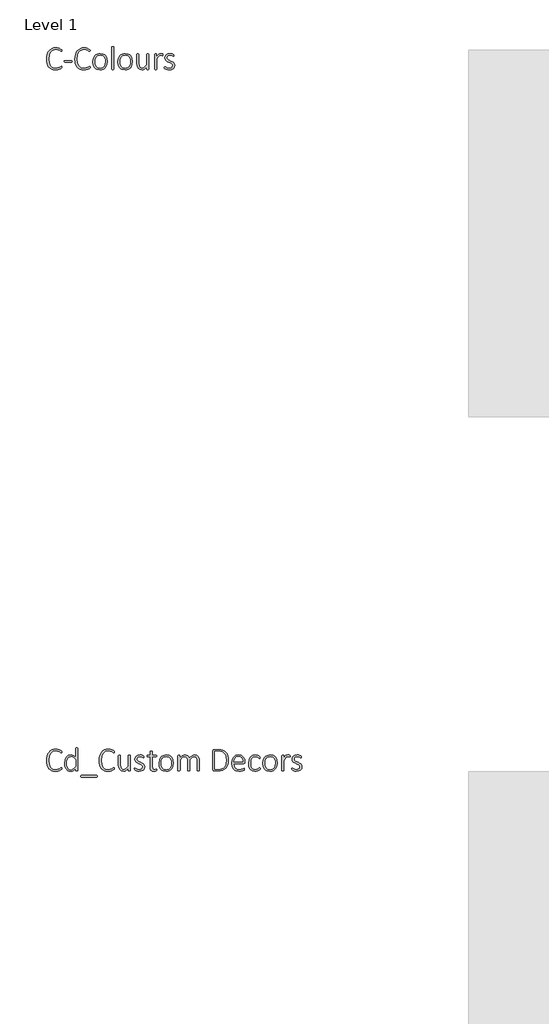
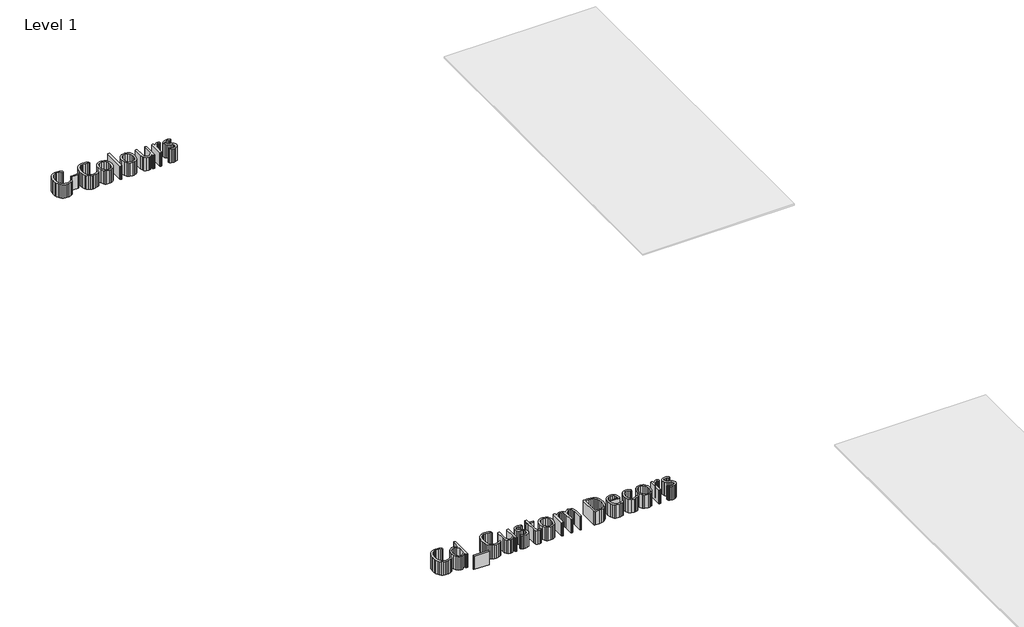
# One storey, part 2 of 3: 2 proxies.
"""IFC4 building model written with IfcOpenShell, lengths in millimetres."""

import ifcopenshell
import ifcopenshell.guid

model = None  # the IFC model being written
_history = None  # IfcOwnerHistory: only IFC2X3 demands one
_inside = {}  # id of a spatial element -> (the spatial element, [elements in it])
_under = {}  # id of a project, library or spatial element -> (it, [spatial elements below it])
_declared = {}  # id of a project -> (the project, [libraries it declares])
_typed = {}  # id of a type object -> (the type object, [elements of that type])
_made_of = {}  # id of a material, layer set ... -> (it, [elements and type objects made of it])


def new_model(schema):
    """Start an empty IFC model of exactly this schema.

    Asked for "IFC4X3", IfcOpenShell would pick the latest addendum, in which some entities
    have other attributes; the version numbers below select the first issue.
    IFC2X3 requires an IfcOwnerHistory on every rooted entity: one is made here for all.
    """
    global model, _history
    if schema == "IFC4X3":
        model = ifcopenshell.file(schema_version=(4, 3, 0, 0))
    else:
        model = ifcopenshell.file(schema=schema)
    _inside.clear()
    _under.clear()
    _declared.clear()
    _typed.clear()
    _made_of.clear()
    _history = None
    if model.schema == "IFC2X3":
        org = make("IfcOrganization", Name="unknown")
        user = make(
            "IfcPersonAndOrganization",
            ThePerson=make("IfcPerson", FamilyName="unknown"),
            TheOrganization=org,
        )
        app = make(
            "IfcApplication",
            ApplicationDeveloper=org,
            Version="unknown",
            ApplicationFullName="unknown",
            ApplicationIdentifier="unknown",
        )
        _history = make(
            "IfcOwnerHistory",
            OwningUser=user,
            OwningApplication=app,
            ChangeAction="ADDED",
            CreationDate=0,
        )
    return model


def make(cls, **values):
    """One entity of the class cls with the attributes given. An attribute that is None is left unset."""
    return model.create_entity(
        cls, **{name: value for name, value in values.items() if value is not None}
    )


def rooted(cls, **values):
    """An entity with a GlobalId (a new one), such as an element, a storey or a relation."""
    return make(cls, GlobalId=ifcopenshell.guid.new(), OwnerHistory=_history, **values)


def si_unit(unit_type, name, prefix=None):
    """IfcSIUnit, for example si_unit("LENGTHUNIT", "METRE", prefix="MILLI")."""
    return make("IfcSIUnit", UnitType=unit_type, Prefix=prefix, Name=name)


def assignment(units):
    """IfcUnitAssignment: the units of a project."""
    return None if units is None else make("IfcUnitAssignment", Units=units)


def point(xyz):
    """IfcCartesianPoint."""
    return None if xyz is None else make("IfcCartesianPoint", Coordinates=xyz)


def direction(xyz):
    """IfcDirection."""
    return None if xyz is None else make("IfcDirection", DirectionRatios=xyz)


def frame(location, z_axis=None, x_axis=None):
    """IfcAxis2Placement3D, a coordinate frame: its origin and axes. An axis left out is left unset."""
    return make(
        "IfcAxis2Placement3D",
        Location=point(location),
        Axis=direction(z_axis),
        RefDirection=direction(x_axis),
    )


def origin():
    """The frame at (0, 0, 0) with its axes left unset."""
    return frame((0.0, 0.0, 0.0))


def origin_with_axes():
    """The frame at (0, 0, 0) with the z axis (0, 0, 1) and the x axis (1, 0, 0) written out."""
    return frame((0.0, 0.0, 0.0), z_axis=(0.0, 0.0, 1.0), x_axis=(1.0, 0.0, 0.0))


def place(relative_to, where):
    """IfcLocalPlacement: puts the frame where relative to a parent placement (None: the world)."""
    return make(
        "IfcLocalPlacement", PlacementRelTo=relative_to, RelativePlacement=where
    )


def context(
    kind, dimensions, precision=None, world=None, true_north=None, identifier=None
):
    """IfcGeometricRepresentationContext, for example the 3D "Model" context."""
    return make(
        "IfcGeometricRepresentationContext",
        ContextIdentifier=identifier,
        ContextType=kind,
        CoordinateSpaceDimension=dimensions,
        Precision=precision,
        WorldCoordinateSystem=world,
        TrueNorth=true_north,
    )


def project(units=None, contexts=None):
    """IfcProject with its units and contexts."""
    return rooted(
        "IfcProject",
        Name="project",
        RepresentationContexts=contexts,
        UnitsInContext=assignment(units),
    )


def spatial(cls, under=None, at=None, **own):
    """A site, building, storey or space (cls), placed at a placement, below another one or the project."""
    s = rooted(cls, ObjectPlacement=at, **own)
    if under is not None:
        _under.setdefault(under.id(), (under, []))[1].append(s)
    return s


def polyline(points):
    """IfcPolyline through the points."""
    return make("IfcPolyline", Points=[point(p) for p in points])


def outline(outer, holes=None, kind="AREA"):
    """IfcArbitraryClosedProfileDef: a profile drawn as a closed curve; with holes, ...WithVoids."""
    if holes is None:
        return make("IfcArbitraryClosedProfileDef", ProfileType=kind, OuterCurve=outer)
    return make(
        "IfcArbitraryProfileDefWithVoids",
        ProfileType=kind,
        OuterCurve=outer,
        InnerCurves=holes,
    )


def extrude(swept, where, along, depth):
    """IfcExtrudedAreaSolid: the profile swept, set in the frame where, extruded along a direction by depth."""
    return make(
        "IfcExtrudedAreaSolid",
        SweptArea=swept,
        Position=where,
        ExtrudedDirection=direction(along),
        Depth=depth,
    )


def shape(context_of_items, identifier, shape_type, items):
    """IfcShapeRepresentation: the items that make up one representation, for example the "Body"."""
    return make(
        "IfcShapeRepresentation",
        ContextOfItems=context_of_items,
        RepresentationIdentifier=identifier,
        RepresentationType=shape_type,
        Items=items,
    )


def made_of(thing, what):
    """Note that an element or type object is made of a material, layer set ...; save() writes the relation."""
    if what is not None:
        _made_of.setdefault(what.id(), (what, []))[1].append(thing)
    return thing


def element(
    cls,
    number,
    at=None,
    inside=None,
    cuts=None,
    type_object=None,
    material=None,
    context=None,
    identifier="Body",
    shape_type=None,
    held_by="IfcProductDefinitionShape",
    body=None,
    shapes=None,
    **own,
):
    """One element of the class cls, such as IfcWall. Its Tag is "e" and its number.

    at: its placement. inside: the storey or other place that contains it. cuts: it is an
    opening in that element (IfcRelVoidsElement). A single representation is given by context,
    identifier, shape_type and body (its items); several are given by shapes. held_by: the class
    of the entity that holds the representations. save() writes the other relations.
    """
    e = rooted(cls, Tag="e%d" % number, ObjectPlacement=at, **own)
    if body is not None:
        shapes = [shape(context, identifier, shape_type, body)]
    if shapes is not None:
        e.Representation = make(held_by, Representations=shapes)
    if inside is not None:
        _inside.setdefault(inside.id(), (inside, []))[1].append(e)
    if cuts is not None:
        rooted(
            "IfcRelVoidsElement", RelatingBuildingElement=cuts, RelatedOpeningElement=e
        )
    if type_object is not None:
        _typed.setdefault(type_object.id(), (type_object, []))[1].append(e)
    return made_of(e, material)


def aggregate(whole, parts):
    """IfcRelAggregates: a whole, such as a stair, and the parts it consists of."""
    return rooted("IfcRelAggregates", RelatingObject=whole, RelatedObjects=parts)


def save(model, path):
    """Write the relations noted so far, then the file.

    IfcRelAggregates (storeys below a building ...), IfcRelContainedInSpatialStructure (elements
    in a storey), IfcRelDefinesByType, IfcRelAssociatesMaterial and IfcRelDeclares: one each for
    every whole, place, type object, material and project.
    """
    for whole, parts in _under.values():
        aggregate(whole, parts)
    for where, things in _inside.values():
        rooted(
            "IfcRelContainedInSpatialStructure",
            RelatedElements=things,
            RelatingStructure=where,
        )
    for kind, things in _typed.values():
        rooted("IfcRelDefinesByType", RelatedObjects=things, RelatingType=kind)
    for what, things in _made_of.values():
        rooted("IfcRelAssociatesMaterial", RelatedObjects=things, RelatingMaterial=what)
    for by, libraries in _declared.values():
        rooted("IfcRelDeclares", RelatingContext=by, RelatedDefinitions=libraries)
    model.write(path)


model = new_model("IFC4")

# Units and contexts
model_context = context("Model", 3, world=origin())
ifc_project = project(units=[si_unit("LENGTHUNIT", "METRE", prefix="MILLI")], contexts=[model_context])

# Site, building, storey
site = spatial("IfcSite", under=ifc_project)
building = spatial("IfcBuilding", under=site)
storey = spatial("IfcBuildingStorey", under=building, Name="Level 1", Elevation=0.0)

# Proxies
placement = place(None, origin())
element("IfcBuildingElementProxy", 1, Name="Generic Models", at=placement, inside=storey, context=model_context, shape_type="SweptSolid", body=[
    extrude(outline(polyline([(-6935.2690335, 1375.5982531), (-6935.4291258, 1372.620538), (-6935.9094024, 1370.2831917), (-6936.8059188, 1368.3620851), (-6938.9511544, 1366.0247388), (-6945.7390643, 1361.2860093), (-6958.8666258, 1354.7862654), (-6977.0531012, 1349.2790933), (-6999.754177, 1346.9737654), (-7018.7331089, 1348.7587936), (-7035.8389618, 1354.1138781), (-7050.7995791, 1362.9029406), (-7063.342804, 1374.9899027), (-7073.3725812, 1390.3187321), (-7080.7928553, 1408.8333966), (-7085.3794972, 1430.3657992), (-7086.9083778, 1454.7478433), (-7085.2674326, 1479.8903254), (-7080.3445971, 1502.2952306), (-7072.4440464, 1521.7464345), (-7061.8699557, 1538.0278126), (-7048.766408, 1550.9952818), (-7033.2774864, 1560.5047593), (-7015.707366, 1566.3401204), (-6996.3602221, 1568.2852408), (-6977.9175991, 1566.5242265), (-6961.3960827, 1562.0096261), (-6947.8522815, 1555.7019929), (-6939.6235417, 1549.9706917), (-6936.8059188, 1546.960958), (-6935.9094024, 1545.0398515), (-6935.4291258, 1542.6064499), (-6935.2690335, 1539.5967162), (-6935.5251811, 1536.1387244), (-6936.3576606, 1533.6092675), (-6937.7664721, 1531.9763269), (-6939.7516155, 1531.3999949), (-6946.2833778, 1534.5698208), (-6957.3937774, 1541.6458966), (-6974.2354782, 1548.7219724), (-6997.9611442, 1551.8917982), (-7012.4014618, 1550.3228945), (-7025.6250786, 1545.6161835), (-7037.3438286, 1537.8517111), (-7047.2695458, 1527.1095236), (-7061.3576606, 1497.0121876), (-7066.4165745, 1455.9005072), (-7061.8059188, 1416.5178228), (-7048.4862467, 1387.5091138), (-7038.7446355, 1377.1271338), (-7026.9378348, 1369.5467675), (-7013.2259367, 1364.9120979), (-6997.7690335, 1363.367208), (-6974.4916258, 1366.5370339), (-6957.4578143, 1373.6131097), (-6945.8671381, 1380.6891855), (-6938.919136, 1383.8590113), (-6937.254177, 1383.47479), (-6936.1975684, 1382.1300154), (-6935.5251811, 1379.56854), (-6935.2690335, 1375.5982531)])), origin_with_axes(), (0.0, 0.0, 1.0), 150.0),
    extrude(outline(polyline([(-6832.8100172, 1433.0393392), (-6834.1227733, 1426.5716138), (-6837.5487467, 1424.8426179), (-6905.8120663, 1424.8426179), (-6909.3020766, 1426.6356507), (-6910.6788696, 1433.0393392), (-6909.3020766, 1439.4430277), (-6905.8120663, 1441.2360605), (-6837.5487467, 1441.2360605), (-6835.691677, 1440.8198208), (-6834.1227733, 1439.4110093), (-6833.1302016, 1436.8815523), (-6832.8100172, 1433.0393392)])), origin_with_axes(), (0.0, 0.0, 1.0), 150.0),
    extrude(outline(polyline([(-6652.4821483, 1375.5982531), (-6652.6422405, 1372.620538), (-6653.1225172, 1370.2831917), (-6654.0190335, 1368.3620851), (-6656.1642692, 1366.0247388), (-6662.952179, 1361.2860093), (-6676.0797405, 1354.7862654), (-6694.2662159, 1349.2790933), (-6716.9672917, 1346.9737654), (-6735.9462236, 1348.7587936), (-6753.0520766, 1354.1138781), (-6768.0126939, 1362.9029406), (-6780.5559188, 1374.9899027), (-6790.5856959, 1390.3187321), (-6798.00597, 1408.8333966), (-6802.5926119, 1430.3657992), (-6804.1214926, 1454.7478433), (-6802.4805474, 1479.8903254), (-6797.5577118, 1502.2952306), (-6789.6571611, 1521.7464345), (-6779.0830704, 1538.0278126), (-6765.9795228, 1550.9952818), (-6750.4906012, 1560.5047593), (-6732.9204808, 1566.3401204), (-6713.5733368, 1568.2852408), (-6695.1307139, 1566.5242265), (-6678.6091975, 1562.0096261), (-6665.0653963, 1555.7019929), (-6656.8366565, 1549.9706917), (-6654.0190335, 1546.960958), (-6653.1225172, 1545.0398515), (-6652.6422405, 1542.6064499), (-6652.4821483, 1539.5967162), (-6652.7382958, 1536.1387244), (-6653.5707754, 1533.6092675), (-6654.9795868, 1531.9763269), (-6656.9647303, 1531.3999949), (-6663.4964926, 1534.5698208), (-6674.6068922, 1541.6458966), (-6691.448593, 1548.7219724), (-6715.174259, 1551.8917982), (-6729.6145766, 1550.3228945), (-6742.8381934, 1545.6161835), (-6754.5569434, 1537.8517111), (-6764.4826606, 1527.1095236), (-6778.5707754, 1497.0121876), (-6783.6296893, 1455.9005072), (-6779.0190335, 1416.5178228), (-6765.6993614, 1387.5091138), (-6755.9577502, 1377.1271338), (-6744.1509495, 1369.5467675), (-6730.4390515, 1364.9120979), (-6714.9821483, 1363.367208), (-6691.7047405, 1366.5370339), (-6674.670929, 1373.6131097), (-6663.0802528, 1380.6891855), (-6656.1322508, 1383.8590113), (-6654.4672917, 1383.47479), (-6653.4106831, 1382.1300154), (-6652.7382958, 1379.56854), (-6652.4821483, 1375.5982531)])), origin_with_axes(), (0.0, 0.0, 1.0), 150.0),
    extrude(outline(polyline([(-6480.3510008, 1430.5419007), (-6484.9936749, 1397.2107019), (-6498.7936237, 1370.7634683), (-6509.087553, 1360.7657096), (-6521.6547917, 1353.2493802), (-6536.4793307, 1348.5426691), (-6553.5451606, 1346.9737654), (-6584.2188286, 1352.5769929), (-6596.2737723, 1359.3969212), (-6606.1834803, 1368.6502511), (-6619.4070971, 1394.0408761), (-6623.7936237, 1427.6602408), (-6619.2470049, 1461.023458), (-6605.5431114, 1487.3746363), (-6595.2411775, 1497.2603305), (-6582.6499249, 1504.6966138), (-6567.7693537, 1509.3552972), (-6550.5994639, 1510.9081917), (-6519.9257958, 1505.3690011), (-6507.8868614, 1498.6051051), (-6498.0251811, 1489.3917982), (-6484.8015643, 1464.0331917), (-6480.3510008, 1430.5419007)]), holes=[polyline([(-6500.842804, 1428.4927203), (-6503.3402426, 1453.5631609), (-6511.6650376, 1474.6312962), (-6527.2900376, 1489.1356507), (-6551.7521278, 1494.514749), (-6575.0295356, 1489.5839089), (-6591.0707754, 1475.847997), (-6600.2920868, 1455.1000462), (-6603.3018204, 1429.3892367), (-6600.8043819, 1404.0306302), (-6592.4795868, 1382.9624949), (-6576.8545868, 1368.6502511), (-6552.3924967, 1363.367208), (-6529.1150889, 1368.2980482), (-6513.0738491, 1381.9379048), (-6503.8525376, 1402.5898003), (-6500.842804, 1428.4927203)])]), origin_with_axes(), (0.0, 0.0, 1.0), 150.0),
    extrude(outline(polyline([(-6414.7772303, 1355.3625974), (-6415.2895254, 1353.5375462), (-6416.9224659, 1352.22479), (-6420.0282549, 1351.3923105), (-6425.0871688, 1351.0721261), (-6430.018009, 1351.3923105), (-6433.2198532, 1352.22479), (-6434.8527938, 1353.5375462), (-6435.2690335, 1355.3625974), (-6435.2690335, 1576.2898515), (-6434.8527938, 1578.1149027), (-6433.2198532, 1579.4916958), (-6430.018009, 1580.3241753), (-6425.0871688, 1580.5803228), (-6420.0282549, 1580.3241753), (-6416.9224659, 1579.4916958), (-6415.2895254, 1578.1149027), (-6414.7772303, 1576.2898515), (-6414.7772303, 1355.3625974)])), origin_with_axes(), (0.0, 0.0, 1.0), 150.0),
    extrude(outline(polyline([(-6230.3510008, 1430.5419007), (-6234.9936749, 1397.2107019), (-6248.7936237, 1370.7634683), (-6259.087553, 1360.7657096), (-6271.6547917, 1353.2493802), (-6286.4793307, 1348.5426691), (-6303.5451606, 1346.9737654), (-6334.2188286, 1352.5769929), (-6346.2737723, 1359.3969212), (-6356.1834803, 1368.6502511), (-6369.4070971, 1394.0408761), (-6373.7936237, 1427.6602408), (-6369.2470049, 1461.023458), (-6355.5431114, 1487.3746363), (-6345.2411775, 1497.2603305), (-6332.6499249, 1504.6966138), (-6317.7693537, 1509.3552972), (-6300.5994639, 1510.9081917), (-6269.9257958, 1505.3690011), (-6257.8868614, 1498.6051051), (-6248.0251811, 1489.3917982), (-6234.8015643, 1464.0331917), (-6230.3510008, 1430.5419007)]), holes=[polyline([(-6250.842804, 1428.4927203), (-6253.3402426, 1453.5631609), (-6261.6650376, 1474.6312962), (-6277.2900376, 1489.1356507), (-6301.7521278, 1494.514749), (-6325.0295356, 1489.5839089), (-6341.0707754, 1475.847997), (-6350.2920868, 1455.1000462), (-6353.3018204, 1429.3892367), (-6350.8043819, 1404.0306302), (-6342.4795868, 1382.9624949), (-6326.8545868, 1368.6502511), (-6302.3924967, 1363.367208), (-6279.1150889, 1368.2980482), (-6263.0738491, 1381.9379048), (-6253.8525376, 1402.5898003), (-6250.842804, 1428.4927203)])]), origin_with_axes(), (0.0, 0.0, 1.0), 150.0),
    extrude(outline(polyline([(-6066.4165745, 1355.2985605), (-6066.8328143, 1353.5055277), (-6068.4657549, 1352.1927716), (-6071.5715438, 1351.3923105), (-6076.214218, 1351.0721261), (-6081.2411135, 1351.3923105), (-6084.1868102, 1352.1927716), (-6085.6596585, 1353.5055277), (-6086.0758983, 1355.2985605), (-6086.0758983, 1376.1105482), (-6110.4739516, 1353.8577306), (-6122.368803, 1348.6947567), (-6134.231636, 1346.9737654), (-6158.2134495, 1351.936624), (-6173.9985417, 1365.3843699), (-6182.6435213, 1385.1077306), (-6185.2690335, 1412.2273515), (-6185.2690335, 1502.5193597), (-6184.8527938, 1504.3123925), (-6183.2198532, 1505.7212039), (-6180.018009, 1506.5536835), (-6175.0871688, 1506.809831), (-6170.0282549, 1506.5536835), (-6166.9224659, 1505.7212039), (-6165.2895254, 1504.3123925), (-6164.7772303, 1502.5193597), (-6164.7772303, 1413.9563474), (-6162.7280499, 1391.28729), (-6156.6125274, 1376.3346773), (-6146.1745151, 1366.761163), (-6131.3499762, 1363.367208), (-6120.5437518, 1365.5044391), (-6109.7695458, 1371.9161322), (-6086.9083778, 1396.9865728), (-6086.9083778, 1502.5833966), (-6086.4921381, 1504.3764294), (-6084.8591975, 1505.7532224), (-6081.6573532, 1506.5536835), (-6076.5984393, 1506.809831), (-6071.6675991, 1506.5536835), (-6068.5618102, 1505.7532224), (-6066.9288696, 1504.3764294), (-6066.4165745, 1502.5833966), (-6066.4165745, 1355.2985605)])), origin_with_axes(), (0.0, 0.0, 1.0), 150.0),
    extrude(outline(polyline([(-5927.0723122, 1498.6771466), (-5927.2324044, 1494.802915), (-5927.8087364, 1492.1133658), (-5928.7692897, 1490.4804253), (-5930.2741565, 1489.9040933), (-5933.6681114, 1490.6405175), (-5938.1506934, 1492.2094212), (-5943.7539208, 1493.7783249), (-5950.5098122, 1494.514749), (-5959.026718, 1492.4335503), (-5967.7677528, 1485.7416958), (-5977.405304, 1473.5106507), (-5988.5477221, 1454.8759171), (-5988.5477221, 1355.2985605), (-5989.0600172, 1353.5055277), (-5990.6929577, 1352.1927716), (-5993.7987467, 1351.3923105), (-5998.8576606, 1351.0721261), (-6003.7885008, 1351.3923105), (-6006.990345, 1352.1927716), (-6008.6232856, 1353.5055277), (-6009.0395254, 1355.2985605), (-6009.0395254, 1502.5833966), (-6008.6232856, 1504.3764294), (-6006.990345, 1505.7532224), (-6003.948593, 1506.5536835), (-5999.2418819, 1506.809831), (-5994.4070971, 1506.5536835), (-5991.4614004, 1505.7532224), (-5989.988552, 1504.3764294), (-5989.5723122, 1502.5833966), (-5989.5723122, 1479.3380072), (-5978.0136544, 1495.4753023), (-5967.8958266, 1505.0488167), (-5958.4824044, 1509.6914908), (-5949.1010008, 1510.9081917), (-5944.2662159, 1510.6840626), (-5938.4068409, 1509.8836015), (-5932.771595, 1508.47479), (-5929.3136032, 1507.0019417), (-5928.0328655, 1505.8172593), (-5927.1683676, 1502.2632121), (-5927.0723122, 1498.6771466)])), origin_with_axes(), (0.0, 0.0, 1.0), 150.0),
    extrude(outline(polyline([(-5808.2198532, 1393.528581), (-5812.2221585, 1374.0293494), (-5823.6527426, 1359.3649027), (-5841.4229782, 1350.1435912), (-5864.3161647, 1346.9737654), (-5879.1407036, 1348.4466138), (-5891.8200069, 1352.1607531), (-5901.4255397, 1356.9315011), (-5907.1888594, 1361.414083), (-5909.8463901, 1365.608499), (-5910.6788696, 1371.6279662), (-5910.3586852, 1375.1179765), (-5909.5262057, 1377.6794519), (-5908.1814311, 1379.2483556), (-5906.3883983, 1379.7606507), (-5901.0733368, 1377.1671568), (-5892.3963389, 1371.5639294), (-5879.9731831, 1365.9607019), (-5863.2915745, 1363.367208), (-5849.3955704, 1365.0962039), (-5838.4772815, 1370.3152101), (-5831.2731319, 1379.2483556), (-5828.7116565, 1391.9916958), (-5832.073593, 1403.9025564), (-5840.9106831, 1412.3554253), (-5853.3658573, 1418.6950769), (-5867.6460827, 1424.3943597), (-5881.9263081, 1430.8620851), (-5894.3814823, 1439.4110093), (-5903.2185725, 1451.4499437), (-5906.580509, 1468.3876999), (-5903.5707754, 1483.8846261), (-5894.2534085, 1497.5244826), (-5878.1161135, 1507.2260708), (-5854.8387057, 1510.9081917), (-5843.5361954, 1509.8836015), (-5833.2902938, 1507.1940523), (-5825.3177016, 1503.5759683), (-5820.1947508, 1500.1179765), (-5817.825386, 1497.7486117), (-5816.9929065, 1495.9235605), (-5816.5766667, 1493.6502511), (-5816.4165745, 1490.4163884), (-5816.6727221, 1487.0224335), (-5817.4091463, 1484.4289396), (-5818.6258471, 1482.7639806), (-5820.3868614, 1482.2196671), (-5824.3571483, 1484.1407736), (-5831.2731319, 1488.367208), (-5841.5190335, 1492.5936425), (-5855.222927, 1494.514749), (-5868.8307651, 1492.6576794), (-5878.5003348, 1487.4066548), (-5884.1996176, 1479.4340626), (-5886.0887057, 1469.41229), (-5882.7587876, 1457.0211527), (-5873.9216975, 1448.3121363), (-5861.4024864, 1441.780374), (-5847.1542794, 1436.0810912), (-5832.9060725, 1429.8054765), (-5820.3868614, 1421.5126999), (-5811.5497713, 1409.8579867), (-5808.2198532, 1393.528581)])), origin_with_axes(), (0.0, 0.0, 1.0), 150.0),
])
element("IfcBuildingElementProxy", 2, Name="Generic Models", at=placement, inside=storey, context=model_context, shape_type="SweptSolid", body=[
    extrude(outline(polyline([(-6935.2690335, -5624.4017469), (-6935.4291258, -5627.379462), (-6935.9094024, -5629.7168083), (-6936.8059188, -5631.6379149), (-6938.9511544, -5633.9752612), (-6945.7390643, -5638.7139907), (-6958.8666258, -5645.2137346), (-6977.0531012, -5650.7209067), (-6999.754177, -5653.0262346), (-7018.7331089, -5651.2412064), (-7035.8389618, -5645.8861219), (-7050.7995791, -5637.0970594), (-7063.342804, -5625.0100973), (-7073.3725812, -5609.6812679), (-7080.7928553, -5591.1666034), (-7085.3794972, -5569.6342008), (-7086.9083778, -5545.2521567), (-7085.2674326, -5520.1096746), (-7080.3445971, -5497.7047694), (-7072.4440464, -5478.2535655), (-7061.8699557, -5461.9721874), (-7048.766408, -5449.0047182), (-7033.2774864, -5439.4952407), (-7015.707366, -5433.6598796), (-6996.3602221, -5431.7147592), (-6977.9175991, -5433.4757735), (-6961.3960827, -5437.9903739), (-6947.8522815, -5444.2980071), (-6939.6235417, -5450.0293083), (-6936.8059188, -5453.039042), (-6935.9094024, -5454.9601485), (-6935.4291258, -5457.3935501), (-6935.2690335, -5460.4032838), (-6935.5251811, -5463.8612756), (-6936.3576606, -5466.3907325), (-6937.7664721, -5468.0236731), (-6939.7516155, -5468.6000051), (-6946.2833778, -5465.4301792), (-6957.3937774, -5458.3541034), (-6974.2354782, -5451.2780276), (-6997.9611442, -5448.1082018), (-7012.4014618, -5449.6771055), (-7025.6250786, -5454.3838165), (-7037.3438286, -5462.1482889), (-7047.2695458, -5472.8904764), (-7061.3576606, -5502.9878124), (-7066.4165745, -5544.0994928), (-7061.8059188, -5583.4821772), (-7048.4862467, -5612.4908862), (-7038.7446355, -5622.8728662), (-7026.9378348, -5630.4532325), (-7013.2259367, -5635.0879021), (-6997.7690335, -5636.632792), (-6974.4916258, -5633.4629661), (-6957.4578143, -5626.3868903), (-6945.8671381, -5619.3108145), (-6938.919136, -5616.1409887), (-6937.254177, -5616.52521), (-6936.1975684, -5617.8699846), (-6935.5251811, -5620.43146), (-6935.2690335, -5624.4017469)])), origin_with_axes(), (0.0, 0.0, 1.0), 150.0),
    extrude(outline(polyline([(-6775.432968, -5644.6374026), (-6775.8492077, -5646.6225461), (-6777.386093, -5647.9353022), (-6780.2357344, -5648.6717264), (-6784.5902426, -5648.9278739), (-6789.1368614, -5648.7037448), (-6792.0505397, -5647.9993391), (-6793.7795356, -5646.7826383), (-6794.387886, -5644.957587), (-6794.387886, -5625.0421157), (-6818.7859393, -5645.5659374), (-6831.9775376, -5651.1611603), (-6846.3217999, -5653.0262346), (-6861.3864772, -5651.4333171), (-6874.0497713, -5646.6545645), (-6892.7165233, -5629.3966239), (-6903.2505909, -5603.8779251), (-6906.580509, -5572.7880174), (-6902.4181114, -5538.0800256), (-6890.1230294, -5511.6968288), (-6870.0474659, -5494.9511833), (-6857.1520382, -5490.5566521), (-6842.3515131, -5489.0918083), (-6829.5281268, -5490.620689), (-6817.825386, -5495.2073309), (-6795.9247713, -5513.2337141), (-6795.9247713, -5423.7101485), (-6795.5085315, -5421.8850973), (-6793.8755909, -5420.5723411), (-6790.6737467, -5419.7398616), (-6785.7429065, -5419.4196772), (-6780.6839926, -5419.7398616), (-6777.5782036, -5420.5723411), (-6775.9452631, -5421.8850973), (-6775.432968, -5423.7101485), (-6775.432968, -5644.6374026)]), holes=[polyline([(-6795.9247713, -5537.5036936), (-6819.5223635, -5513.7139907), (-6831.1530627, -5507.5424359), (-6843.3120663, -5505.485251), (-6862.9393717, -5511.05646), (-6876.2590438, -5525.7849436), (-6883.7513594, -5546.4368391), (-6886.0887057, -5569.7782838), (-6884.1035622, -5594.4965215), (-6877.283634, -5615.9168596), (-6864.4442385, -5630.9655276), (-6855.4470561, -5635.2159759), (-6844.4647303, -5636.632792), (-6833.0341463, -5634.9358145), (-6821.6035622, -5629.3005686), (-6809.4045356, -5619.1187038), (-6795.9247713, -5603.6537961), (-6795.9247713, -5537.5036936)])]), origin_with_axes(), (0.0, 0.0, 1.0), 150.0),
    extrude(outline(polyline([(-6578.7116565, -5702.2065624), (-6579.9283573, -5708.3541034), (-6583.450386, -5710.4032838), (-6741.8136032, -5710.4032838), (-6745.4316872, -5708.5141956), (-6746.7444434, -5702.5267469), (-6745.4316872, -5696.2191137), (-6741.8136032, -5694.0098411), (-6583.450386, -5694.0098411), (-6580.0244126, -5696.0590215), (-6578.7116565, -5702.2065624)])), origin_with_axes(), (0.0, 0.0, 1.0), 150.0),
    extrude(outline(polyline([(-6410.6788696, -5624.4017469), (-6410.8389618, -5627.379462), (-6411.3192385, -5629.7168083), (-6412.2157549, -5631.6379149), (-6414.3609905, -5633.9752612), (-6421.1489004, -5638.7139907), (-6434.2764618, -5645.2137346), (-6452.4629372, -5650.7209067), (-6475.1640131, -5653.0262346), (-6494.1429449, -5651.2412064), (-6511.2487979, -5645.8861219), (-6526.2094152, -5637.0970594), (-6538.7526401, -5625.0100973), (-6548.7824173, -5609.6812679), (-6556.2026913, -5591.1666034), (-6560.7893332, -5569.6342008), (-6562.3182139, -5545.2521567), (-6560.6772687, -5520.1096746), (-6555.7544331, -5497.7047694), (-6547.8538824, -5478.2535655), (-6537.2797917, -5461.9721874), (-6524.1762441, -5449.0047182), (-6508.6873225, -5439.4952407), (-6491.1172021, -5433.6598796), (-6471.7700581, -5431.7147592), (-6453.3274352, -5433.4757735), (-6436.8059188, -5437.9903739), (-6423.2621176, -5444.2980071), (-6415.0333778, -5450.0293083), (-6412.2157549, -5453.039042), (-6411.3192385, -5454.9601485), (-6410.8389618, -5457.3935501), (-6410.6788696, -5460.4032838), (-6410.9350172, -5463.8612756), (-6411.7674967, -5466.3907325), (-6413.1763081, -5468.0236731), (-6415.1614516, -5468.6000051), (-6421.6932139, -5465.4301792), (-6432.8036135, -5458.3541034), (-6449.6453143, -5451.2780276), (-6473.3709803, -5448.1082018), (-6487.8112979, -5449.6771055), (-6501.0349147, -5454.3838165), (-6512.7536647, -5462.1482889), (-6522.6793819, -5472.8904764), (-6536.7674967, -5502.9878124), (-6541.8264106, -5544.0994928), (-6537.2157549, -5583.4821772), (-6523.8960827, -5612.4908862), (-6514.1544716, -5622.8728662), (-6502.3476708, -5630.4532325), (-6488.6357728, -5635.0879021), (-6473.1788696, -5636.632792), (-6449.9014618, -5633.4629661), (-6432.8676504, -5626.3868903), (-6421.2769741, -5619.3108145), (-6414.3289721, -5616.1409887), (-6412.6640131, -5616.52521), (-6411.6074044, -5617.8699846), (-6410.9350172, -5620.43146), (-6410.6788696, -5624.4017469)])), origin_with_axes(), (0.0, 0.0, 1.0), 150.0),
    extrude(outline(polyline([(-6250.842804, -5644.7014395), (-6251.2590438, -5646.4944723), (-6252.8919844, -5647.8072284), (-6255.9977733, -5648.6076895), (-6260.6404475, -5648.9278739), (-6265.667343, -5648.6076895), (-6268.6130397, -5647.8072284), (-6270.0858881, -5646.4944723), (-6270.5021278, -5644.7014395), (-6270.5021278, -5623.8894518), (-6294.9001811, -5646.1422694), (-6306.7950325, -5651.3052433), (-6318.6578655, -5653.0262346), (-6342.639679, -5648.063376), (-6358.4247713, -5634.6156301), (-6367.0697508, -5614.8922694), (-6369.6952631, -5587.7726485), (-6369.6952631, -5497.4806403), (-6369.2790233, -5495.6876075), (-6367.6460827, -5494.2787961), (-6364.4442385, -5493.4463165), (-6359.5133983, -5493.190169), (-6354.4544844, -5493.4463165), (-6351.3486954, -5494.2787961), (-6349.7157549, -5495.6876075), (-6349.2034598, -5497.4806403), (-6349.2034598, -5586.0436526), (-6347.1542794, -5608.71271), (-6341.0387569, -5623.6653227), (-6330.6007446, -5633.238837), (-6315.7762057, -5636.632792), (-6304.9699813, -5634.4955609), (-6294.1957754, -5628.0838678), (-6271.3346073, -5603.0134272), (-6271.3346073, -5497.4166034), (-6270.9183676, -5495.6235706), (-6269.285427, -5494.2467776), (-6266.0835827, -5493.4463165), (-6261.0246688, -5493.190169), (-6256.0938286, -5493.4463165), (-6252.9880397, -5494.2467776), (-6251.3550991, -5495.6235706), (-6250.842804, -5497.4166034), (-6250.842804, -5644.7014395)])), origin_with_axes(), (0.0, 0.0, 1.0), 150.0),
    extrude(outline(polyline([(-6107.4001811, -5606.471419), (-6111.4024864, -5625.9706506), (-6122.8330704, -5640.6350973), (-6140.6033061, -5649.8564088), (-6163.4964926, -5653.0262346), (-6178.3210315, -5651.5533862), (-6191.0003348, -5647.8392469), (-6200.6058676, -5643.0684989), (-6206.3691872, -5638.585917), (-6209.026718, -5634.391501), (-6209.8591975, -5628.3720338), (-6209.5390131, -5624.8820235), (-6208.7065335, -5622.3205481), (-6207.361759, -5620.7516444), (-6205.5687262, -5620.2393493), (-6200.2536647, -5622.8328432), (-6191.5766667, -5628.4360706), (-6179.153511, -5634.0392981), (-6162.4719024, -5636.632792), (-6148.5758983, -5634.9037961), (-6137.6576094, -5629.6847899), (-6130.4534598, -5620.7516444), (-6127.8919844, -5608.0083042), (-6131.2539208, -5596.0974436), (-6140.091011, -5587.6445747), (-6152.5461852, -5581.3049231), (-6166.8264106, -5575.6056403), (-6181.106636, -5569.1379149), (-6193.5618102, -5560.5889907), (-6202.3989004, -5548.5500563), (-6205.7608368, -5531.6123001), (-6202.7511032, -5516.1153739), (-6193.4337364, -5502.4755174), (-6177.2964413, -5492.7739292), (-6154.0190335, -5489.0918083), (-6142.7165233, -5490.1163985), (-6132.4706217, -5492.8059477), (-6124.4980294, -5496.4240317), (-6119.3750786, -5499.8820235), (-6117.0057139, -5502.2513883), (-6116.1732344, -5504.0764395), (-6115.7569946, -5506.3497489), (-6115.5969024, -5509.5836116), (-6115.8530499, -5512.9775665), (-6116.5894741, -5515.5710604), (-6117.8061749, -5517.2360194), (-6119.5671893, -5517.7803329), (-6123.5374762, -5515.8592264), (-6130.4534598, -5511.632792), (-6140.6993614, -5507.4063575), (-6154.4032549, -5505.485251), (-6168.011093, -5507.3423206), (-6177.6806626, -5512.5933452), (-6183.3799454, -5520.5659374), (-6185.2690335, -5530.58771), (-6181.9391155, -5542.9788473), (-6173.1020254, -5551.6878637), (-6160.5828143, -5558.219626), (-6146.3346073, -5563.9189088), (-6132.0864004, -5570.1945235), (-6119.5671893, -5578.4873001), (-6110.7300991, -5590.1420133), (-6107.4001811, -5606.471419)])), origin_with_axes(), (0.0, 0.0, 1.0), 150.0),
    extrude(outline(polyline([(-5988.5477221, -5638.7460092), (-5989.124054, -5644.1891444), (-5990.9170868, -5647.487044), (-5994.5351708, -5649.728335), (-6000.042343, -5651.4893493), (-6006.6061237, -5652.6099948), (-6013.3940335, -5653.0262346), (-6032.092804, -5650.016501), (-6044.7721073, -5640.9232633), (-6051.91222, -5625.4903739), (-6054.1214926, -5603.4616854), (-6054.1214926, -5509.5836116), (-6077.6230294, -5509.5836116), (-6081.4332241, -5507.5664497), (-6082.8100172, -5501.4509272), (-6082.4578143, -5497.8008247), (-6081.4012057, -5495.2073309), (-6079.7682651, -5493.6704456), (-6077.6230294, -5493.190169), (-6054.1214926, -5493.190169), (-6054.1214926, -5456.4970338), (-6053.7052528, -5454.704001), (-6052.0723122, -5453.2951895), (-6048.870468, -5452.46271), (-6043.9396278, -5452.2065624), (-6038.8807139, -5452.46271), (-6035.7749249, -5453.2951895), (-6034.1419844, -5454.704001), (-6033.6296893, -5456.4970338), (-6033.6296893, -5493.190169), (-5993.3504885, -5493.190169), (-5991.365345, -5493.6704456), (-5989.8284598, -5495.2073309), (-5988.8679065, -5497.8008247), (-5988.5477221, -5501.4509272), (-5989.9245151, -5507.5664497), (-5993.3504885, -5509.5836116), (-6033.6296893, -5509.5836116), (-6033.6296893, -5601.2844313), (-6028.8909598, -5627.5715727), (-6022.1991053, -5634.3674871), (-6011.6010008, -5636.632792), (-6004.5569434, -5635.8003124), (-5999.0177528, -5634.0072797), (-5994.9193922, -5632.2142469), (-5991.941677, -5631.3817674), (-5989.4442385, -5632.9186526), (-5988.8038696, -5635.2239805), (-5988.5477221, -5638.7460092)])), origin_with_axes(), (0.0, 0.0, 1.0), 150.0),
    extrude(outline(polyline([(-5820.5149352, -5569.4580993), (-5825.1576094, -5602.7892981), (-5838.9575581, -5629.2365317), (-5849.2514874, -5639.2342904), (-5861.8187262, -5646.7506198), (-5876.6432651, -5651.4573309), (-5893.709095, -5653.0262346), (-5924.3827631, -5647.4230071), (-5936.4377067, -5640.6030788), (-5946.3474147, -5631.3497489), (-5959.5710315, -5605.9591239), (-5963.9575581, -5572.3397592), (-5959.4109393, -5538.976542), (-5945.7070458, -5512.6253637), (-5935.4051119, -5502.7396695), (-5922.8138594, -5495.3033862), (-5907.9332882, -5490.6447028), (-5890.7633983, -5489.0918083), (-5860.0897303, -5494.6309989), (-5848.0507958, -5501.3948949), (-5838.1891155, -5510.6082018), (-5824.9654987, -5535.9668083), (-5820.5149352, -5569.4580993)]), holes=[polyline([(-5841.0067385, -5571.5072797), (-5843.504177, -5546.4368391), (-5851.8289721, -5525.3687038), (-5867.4539721, -5510.8643493), (-5891.9160622, -5505.485251), (-5915.19347, -5510.4160911), (-5931.2347098, -5524.152003), (-5940.4560213, -5544.8999538), (-5943.4657549, -5570.6107633), (-5940.9683163, -5595.9693698), (-5932.6435213, -5617.0375051), (-5917.0185213, -5631.3497489), (-5892.5564311, -5636.632792), (-5869.2790233, -5631.7019518), (-5853.2377835, -5618.0620952), (-5844.0164721, -5597.4101997), (-5841.0067385, -5571.5072797)])]), origin_with_axes(), (0.0, 0.0, 1.0), 150.0),
    extrude(outline(polyline([(-5562.3182139, -5644.6374026), (-5562.830509, -5646.4304354), (-5564.4634495, -5647.77521), (-5567.5692385, -5648.6076895), (-5572.5000786, -5648.9278739), (-5577.5589926, -5648.6076895), (-5580.7608368, -5647.77521), (-5582.3937774, -5646.4304354), (-5582.8100172, -5644.6374026), (-5582.8100172, -5552.5523616), (-5584.6350684, -5533.3092776), (-5590.3343512, -5518.4527202), (-5600.1319946, -5508.8792059), (-5614.0600172, -5505.485251), (-5624.0977989, -5507.5104175), (-5634.231636, -5513.585917), (-5656.580509, -5537.3756198), (-5656.580509, -5644.6374026), (-5657.092804, -5646.4304354), (-5658.7577631, -5647.77521), (-5661.8955704, -5648.6076895), (-5666.8264106, -5648.9278739), (-5671.7572508, -5648.6076895), (-5674.959095, -5647.77521), (-5676.624054, -5646.4304354), (-5677.0723122, -5644.6374026), (-5677.0723122, -5552.5523616), (-5679.0574557, -5533.3092776), (-5685.1409598, -5518.4527202), (-5695.4829167, -5508.8792059), (-5710.2434188, -5505.485251), (-5720.8095049, -5507.5104175), (-5731.5036647, -5513.585917), (-5754.9411647, -5537.3756198), (-5754.9411647, -5644.6374026), (-5755.4534598, -5646.4304354), (-5757.0864004, -5647.77521), (-5760.1921893, -5648.6076895), (-5765.2511032, -5648.9278739), (-5770.1819434, -5648.6076895), (-5773.3837876, -5647.8072284), (-5775.0167282, -5646.4944723), (-5775.432968, -5644.7014395), (-5775.432968, -5497.4166034), (-5775.0167282, -5495.6235706), (-5773.3837876, -5494.2467776), (-5770.3420356, -5493.4463165), (-5765.6353245, -5493.190169), (-5760.8005397, -5493.4463165), (-5757.854843, -5494.2467776), (-5756.3819946, -5495.6235706), (-5755.9657549, -5497.4166034), (-5755.9657549, -5518.2285911), (-5731.0874249, -5495.9757735), (-5719.3766796, -5490.8127996), (-5707.7459803, -5489.0918083), (-5690.7441872, -5491.4611731), (-5677.5525889, -5498.1210092), (-5667.7869639, -5508.3669108), (-5661.2552016, -5521.4944723), (-5646.9749762, -5506.1896567), (-5634.1996176, -5496.1999026), (-5622.512886, -5490.7567674), (-5611.370468, -5489.0918083), (-5588.221134, -5494.054667), (-5573.0443922, -5507.438376), (-5564.8156524, -5527.0656813), (-5562.3182139, -5550.8233657), (-5562.3182139, -5644.6374026)])), origin_with_axes(), (0.0, 0.0, 1.0), 150.0),
    extrude(outline(polyline([(-5271.3346073, -5539.2326895), (-5273.0155756, -5564.4872361), (-5278.0584803, -5586.5879661), (-5286.3752707, -5605.4388242), (-5297.8778963, -5620.9437551), (-5312.5103245, -5633.0867494), (-5330.2165233, -5641.8517981), (-5351.3246816, -5647.158855), (-5376.1629885, -5648.9278739), (-5417.9150376, -5648.9278739), (-5423.9665233, -5646.7186014), (-5427.0723122, -5638.5538985), (-5427.0723122, -5446.1870952), (-5423.9665233, -5438.0223924), (-5417.9150376, -5435.8131198), (-5373.3453655, -5435.8131198), (-5348.4350172, -5437.6621849), (-5327.7511032, -5443.2093801), (-5310.6852733, -5452.1585348), (-5296.629177, -5464.2134784), (-5285.6228373, -5479.1740957), (-5277.7062774, -5496.8402715), (-5272.9275248, -5516.9478534), (-5271.3346073, -5539.2326895)]), holes=[polyline([(-5291.8264106, -5540.1932428), (-5296.5011032, -5505.0690112), (-5302.4565335, -5490.0123386), (-5310.9734393, -5477.1809477), (-5322.059825, -5466.7349308), (-5335.7236954, -5458.8343801), (-5352.7334931, -5453.8635169), (-5373.8576606, -5452.2065624), (-5406.580509, -5452.2065624), (-5406.580509, -5632.5344313), (-5373.7295868, -5632.5344313), (-5353.6860417, -5631.1736475), (-5336.9724147, -5627.0912961), (-5323.1804705, -5620.1593032), (-5311.9019741, -5610.2495952), (-5303.1289208, -5597.3621721), (-5296.8533061, -5581.4970338), (-5291.8264106, -5540.1932428)])]), origin_with_axes(), (0.0, 0.0, 1.0), 150.0),
    extrude(outline(polyline([(-5107.4001811, -5564.4632223), (-5110.5379885, -5572.8520542), (-5116.6214926, -5575.1573821), (-5218.0559188, -5575.1573821), (-5215.3023327, -5600.4839702), (-5206.209095, -5619.8871465), (-5189.6875786, -5632.3103022), (-5164.5851196, -5636.632792), (-5145.7262569, -5634.7437038), (-5131.2859393, -5630.485251), (-5121.2641667, -5626.2267981), (-5115.6609393, -5624.33771), (-5113.8358881, -5624.8179866), (-5112.4911135, -5626.290835), (-5111.7546893, -5628.8523104), (-5111.4985417, -5632.7905788), (-5111.658634, -5634.8717776), (-5112.0748737, -5636.7288473), (-5112.8112979, -5638.3938063), (-5114.124054, -5639.96271), (-5119.2790233, -5642.9404251), (-5130.5815335, -5647.3269518), (-5146.7508471, -5651.2652202), (-5166.5702631, -5653.0262346), (-5197.4040233, -5647.7431915), (-5209.7471329, -5641.2114292), (-5219.9450069, -5632.1822284), (-5233.8089926, -5606.6635297), (-5238.5477221, -5571.315169), (-5233.7129372, -5536.7992879), (-5219.88097, -5510.9283862), (-5198.2044844, -5494.6950358), (-5169.964218, -5489.0918083), (-5154.483301, -5490.5406429), (-5141.467804, -5494.8871465), (-5122.0646278, -5510.4481096), (-5110.9222098, -5533.1491854), (-5107.4001811, -5560.3648616), (-5107.4001811, -5564.4632223)]), holes=[polyline([(-5127.8919844, -5558.7639395), (-5130.3413952, -5536.4150665), (-5138.714218, -5519.5733657), (-5152.6262313, -5509.0072797), (-5171.6932139, -5505.485251), (-5191.2564823, -5509.9358145), (-5205.5046893, -5521.6865829), (-5214.4378348, -5538.6563575), (-5218.0559188, -5558.7639395), (-5127.8919844, -5558.7639395)])]), origin_with_axes(), (0.0, 0.0, 1.0), 150.0),
    extrude(outline(polyline([(-4955.7608368, -5625.2982633), (-4955.920929, -5628.7562551), (-4956.4012057, -5631.4137858), (-4957.2977221, -5633.4309477), (-4960.0192897, -5636.4406813), (-4967.1594024, -5641.8197797), (-4978.3978758, -5647.5190624), (-4991.8776401, -5651.4893493), (-5006.7982344, -5653.0262346), (-5034.1419844, -5647.7431915), (-5054.0894741, -5632.1822284), (-5066.3205192, -5606.9196772), (-5070.5149352, -5572.3397592), (-5065.3279475, -5534.4619415), (-5051.111759, -5508.6870952), (-5030.0436237, -5493.8625563), (-5004.1727221, -5489.0918083), (-4990.0846073, -5490.5646567), (-4977.69347, -5494.4388883), (-4967.5756422, -5499.9460604), (-4961.0758983, -5505.197085), (-4958.2902938, -5508.4629661), (-4957.1376299, -5510.8963678), (-4956.5612979, -5513.7780276), (-4956.4012057, -5517.4601485), (-4957.8100172, -5524.0879661), (-4960.8197508, -5525.9770542), (-4966.4870151, -5522.77521), (-4975.0999762, -5515.7311526), (-4987.8112979, -5508.6870952), (-5005.5815335, -5505.485251), (-5024.4644101, -5509.7517084), (-5038.4644741, -5522.5510809), (-5047.1334675, -5543.4030916), (-5050.0231319, -5571.8274641), (-5046.917343, -5600.2278227), (-5037.9841975, -5620.5275153), (-5023.8000274, -5632.6304866), (-5004.9411647, -5636.632792), (-4987.5551504, -5633.4309477), (-4974.4596073, -5626.3868903), (-4965.2062774, -5619.3428329), (-4959.6670868, -5616.1409887), (-4957.9701094, -5616.7173206), (-4956.7534085, -5618.478335), (-4956.0169844, -5621.3599948), (-4955.7608368, -5625.2982633)])), origin_with_axes(), (0.0, 0.0, 1.0), 150.0),
    extrude(outline(polyline([(-4783.6296893, -5569.4580993), (-4788.2723635, -5602.7892981), (-4802.0723122, -5629.2365317), (-4812.3662415, -5639.2342904), (-4824.9334803, -5646.7506198), (-4839.7580192, -5651.4573309), (-4856.8238491, -5653.0262346), (-4887.4975172, -5647.4230071), (-4899.5524608, -5640.6030788), (-4909.4621688, -5631.3497489), (-4922.6857856, -5605.9591239), (-4927.0723122, -5572.3397592), (-4922.5256934, -5538.976542), (-4908.8217999, -5512.6253637), (-4898.519866, -5502.7396695), (-4885.9286135, -5495.3033862), (-4871.0480423, -5490.6447028), (-4853.8781524, -5489.0918083), (-4823.2044844, -5494.6309989), (-4811.1655499, -5501.3948949), (-4801.3038696, -5510.6082018), (-4788.0802528, -5535.9668083), (-4783.6296893, -5569.4580993)]), holes=[polyline([(-4804.1214926, -5571.5072797), (-4806.6189311, -5546.4368391), (-4814.9437262, -5525.3687038), (-4830.5687262, -5510.8643493), (-4855.0308163, -5505.485251), (-4878.3082241, -5510.4160911), (-4894.3494639, -5524.152003), (-4903.5707754, -5544.8999538), (-4906.580509, -5570.6107633), (-4904.0830704, -5595.9693698), (-4895.7582754, -5617.0375051), (-4880.1332754, -5631.3497489), (-4855.6711852, -5636.632792), (-4832.3937774, -5631.7019518), (-4816.3525376, -5618.0620952), (-4807.1312262, -5597.4101997), (-4804.1214926, -5571.5072797)])]), origin_with_axes(), (0.0, 0.0, 1.0), 150.0),
    extrude(outline(polyline([(-4656.580509, -5501.3228534), (-4656.7406012, -5505.197085), (-4657.3169331, -5507.8866342), (-4658.2774864, -5509.5195747), (-4659.7823532, -5510.0959067), (-4663.1763081, -5509.3594825), (-4667.6588901, -5507.7905788), (-4673.2621176, -5506.2216751), (-4680.018009, -5505.485251), (-4688.5349147, -5507.5664497), (-4697.2759495, -5514.2583042), (-4706.9135008, -5526.4893493), (-4718.0559188, -5545.1240829), (-4718.0559188, -5644.7014395), (-4718.5682139, -5646.4944723), (-4720.2011544, -5647.8072284), (-4723.3069434, -5648.6076895), (-4728.3658573, -5648.9278739), (-4733.2966975, -5648.6076895), (-4736.4985417, -5647.8072284), (-4738.1314823, -5646.4944723), (-4738.5477221, -5644.7014395), (-4738.5477221, -5497.4166034), (-4738.1314823, -5495.6235706), (-4736.4985417, -5494.2467776), (-4733.4567897, -5493.4463165), (-4728.7500786, -5493.190169), (-4723.9152938, -5493.4463165), (-4720.9695971, -5494.2467776), (-4719.4967487, -5495.6235706), (-4719.080509, -5497.4166034), (-4719.080509, -5520.6619928), (-4707.5218512, -5504.5246977), (-4697.4040233, -5494.9511833), (-4687.9906012, -5490.3085092), (-4678.6091975, -5489.0918083), (-4673.7744126, -5489.3159374), (-4667.9150376, -5490.1163985), (-4662.2797917, -5491.52521), (-4658.8217999, -5492.9980583), (-4657.5410622, -5494.1827407), (-4656.6765643, -5497.7367879), (-4656.580509, -5501.3228534)])), origin_with_axes(), (0.0, 0.0, 1.0), 150.0),
    extrude(outline(polyline([(-4537.7280499, -5606.471419), (-4541.7303553, -5625.9706506), (-4553.1609393, -5640.6350973), (-4570.9311749, -5649.8564088), (-4593.8243614, -5653.0262346), (-4608.6489004, -5651.5533862), (-4621.3282036, -5647.8392469), (-4630.9337364, -5643.0684989), (-4636.6970561, -5638.585917), (-4639.3545868, -5634.391501), (-4640.1870663, -5628.3720338), (-4639.8668819, -5624.8820235), (-4639.0344024, -5622.3205481), (-4637.6896278, -5620.7516444), (-4635.896595, -5620.2393493), (-4630.5815335, -5622.8328432), (-4621.9045356, -5628.4360706), (-4609.4813799, -5634.0392981), (-4592.7997713, -5636.632792), (-4578.9037672, -5634.9037961), (-4567.9854782, -5629.6847899), (-4560.7813286, -5620.7516444), (-4558.2198532, -5608.0083042), (-4561.5817897, -5596.0974436), (-4570.4188799, -5587.6445747), (-4582.874054, -5581.3049231), (-4597.1542794, -5575.6056403), (-4611.4345049, -5569.1379149), (-4623.889679, -5560.5889907), (-4632.7267692, -5548.5500563), (-4636.0887057, -5531.6123001), (-4633.0789721, -5516.1153739), (-4623.7616053, -5502.4755174), (-4607.6243102, -5492.7739292), (-4584.3469024, -5489.0918083), (-4573.0443922, -5490.1163985), (-4562.7984905, -5492.8059477), (-4554.8258983, -5496.4240317), (-4549.7029475, -5499.8820235), (-4547.3335827, -5502.2513883), (-4546.5011032, -5504.0764395), (-4546.0848635, -5506.3497489), (-4545.9247713, -5509.5836116), (-4546.1809188, -5512.9775665), (-4546.917343, -5515.5710604), (-4548.1340438, -5517.2360194), (-4549.8950581, -5517.7803329), (-4553.865345, -5515.8592264), (-4560.7813286, -5511.632792), (-4571.0272303, -5507.4063575), (-4584.7311237, -5505.485251), (-4598.3389618, -5507.3423206), (-4608.0085315, -5512.5933452), (-4613.7078143, -5520.5659374), (-4615.5969024, -5530.58771), (-4612.2669844, -5542.9788473), (-4603.4298942, -5551.6878637), (-4590.9106831, -5558.219626), (-4576.6624762, -5563.9189088), (-4562.4142692, -5570.1945235), (-4549.8950581, -5578.4873001), (-4541.057968, -5590.1420133), (-4537.7280499, -5606.471419)])), origin_with_axes(), (0.0, 0.0, 1.0), 150.0),
])

save(model, "model.ifc")
